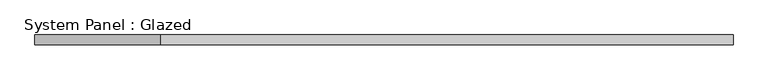
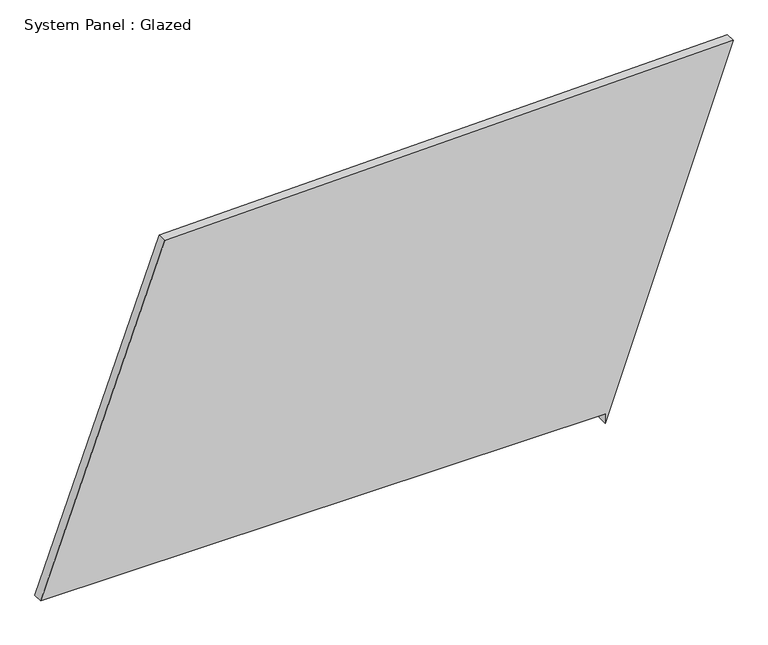
"""IFC4 building model written with IfcOpenShell, lengths in millimetres: plate geometry, System Panel : Glazed."""

from ifc_helpers import new_model, si_unit, frame, origin, place, context, project, spatial, polyline, outline, extrude, source, transform, mapped, element, save


def system_panel_glazed_9be4d2a1(model_context):
    return source(origin(), model_context, "Body", "SweptSolid", [
        extrude(outline(polyline([(25.0, 561.8594602), (0.0, 561.8594602), (927.056318, 891.3900208), (893.6892363, -571.8576466), (25.0, -891.3900208), (25.0, 561.8594602)])), frame((0.0, -49.5, 0.0), z_axis=(0.0, 1.0, 0.0), x_axis=(0.0, 0.0, 1.0)), (0.0, 0.0, 1.0), 25.0),
    ])


if __name__ == "__main__":
    model = new_model("IFC4")
    model_context = context("Model", 3, world=origin())
    ifc_project = project(units=[si_unit("LENGTHUNIT", "METRE", prefix="MILLI")], contexts=[model_context])
    site = spatial("IfcSite", under=ifc_project)
    building = spatial("IfcBuilding", under=site)
    placement = place(None, origin())
    system_panel_glazed_shape = system_panel_glazed_9be4d2a1(model_context)
    element("IfcPlate", 1, ObjectType="System Panel : Glazed", at=placement, inside=building, context=model_context, shape_type="MappedRepresentation", body=[
        mapped(system_panel_glazed_shape, transform((0.0, 0.0, 0.0), x_axis=(1.0, 0.0, 0.0), y_axis=(0.0, 1.0, 0.0), z_axis=(0.0, 0.0, 1.0))),
    ])
    save(model, "model.ifc")
